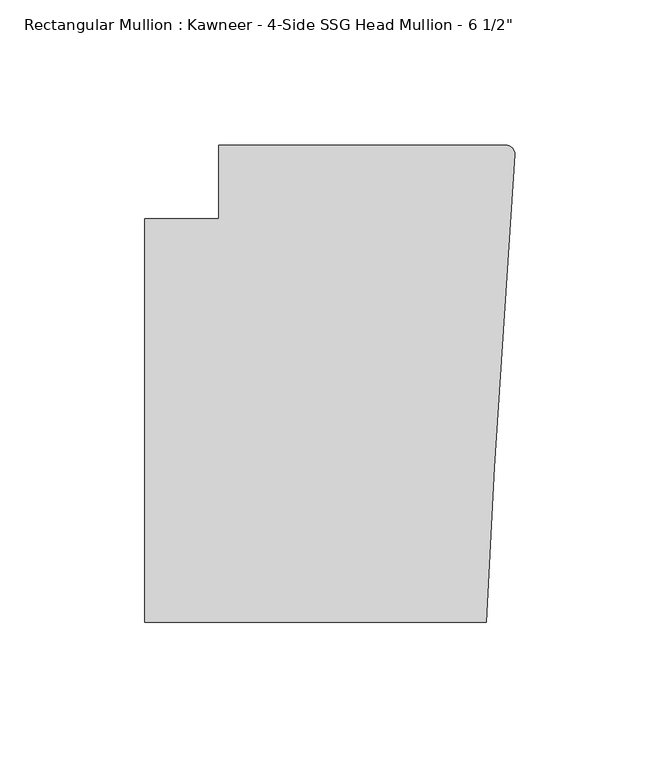
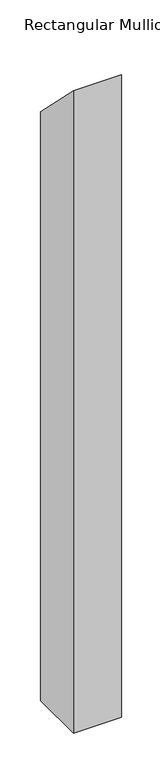
"""IFC4 building model written with IfcOpenShell, lengths in millimetres: member geometry."""

from ifc_helpers import new_model, si_unit, frame, origin, place, context, project, spatial, circle_curve, ellipse_curve, source, transform, mapped, element, save
from ifc_brep_helpers import plane_surface, cylinder_surface, advanced_brep


def member_12f28e6b(model_context):
    return source(origin(), model_context, "Body", "AdvancedBrep", [
        advanced_brep(
        [(-102.08978, 12.7, -1516.358135), (-3.175, 12.7, -1516.358135), (-0.006635, 9.3198462, -1516.358135), (-6.9873394, -98.4891117, -1516.358135), (-9.7860662, -151.892, -1516.358135), (-127.4896668, -151.892, -1516.358135), (-127.4896668, -12.7, -1516.358135), (-102.08978, -12.7, -1516.358135), (-102.08978, -12.7, 12.7), (-102.08978, 12.7, -12.7), (-127.4896668, -12.7, 12.7), (-127.4896668, -151.892, 151.892), (-9.7860662, -151.892, 151.892), (-6.9873394, -98.4891117, 98.4891117), (-0.006635, 9.3198462, -9.3198462), (-3.175, 12.7, -12.7)],
        [
            (0, 1),
            (1, 2, circle_curve(frame((-3.175, 9.525, -1516.358135), z_axis=(0.0, 0.0, -1.0), x_axis=(0.0, 1.0, 0.0)), 3.175)),
            (2, 3),
            (3, 4),
            (4, 5),
            (5, 6),
            (6, 7),
            (7, 0),
            (8, 9),
            (9, 0),
            (7, 8),
            (10, 8),
            (6, 10),
            (11, 10),
            (5, 11),
            (12, 11),
            (4, 12),
            (13, 12),
            (3, 13),
            (14, 13),
            (2, 14),
            (15, 14, ellipse_curve(frame((-3.175, 9.525, -9.525), z_axis=(0.0, -0.7071067811865481, -0.7071067811865469), x_axis=(0.0, -0.7071067811865469, 0.707106781186548)), 4.4901281, 3.175)),
            (1, 15),
            (9, 15),
        ],
        [
            plane_surface(frame((0.0, -198.3048028, -1516.358135), z_axis=(0.0, 0.0, -1.0), x_axis=(-1.0, 0.0, 0.0))),
            plane_surface(frame((-102.08978, 12.7, 0.0), z_axis=(-1.0, 0.0, 0.0), x_axis=(0.0, 0.0, -1.0))),
            plane_surface(frame((-102.08978, -12.7, 0.0), z_axis=(0.0, 1.0, 0.0), x_axis=(0.0, 0.0, -1.0))),
            plane_surface(frame((-127.4896668, -12.7, 0.0), z_axis=(-1.0, 0.0, 0.0), x_axis=(0.0, 0.0, -1.0))),
            plane_surface(frame((-127.4896668, -151.892, 0.0), z_axis=(0.0, -1.0, 0.0), x_axis=(0.0, 0.0, -1.0))),
            plane_surface(frame((-9.7860662, -151.892, 0.0), z_axis=(0.9986295347545738, -0.05233595624294541, 0.0), x_axis=(0.0, 0.0, -1.0))),
            plane_surface(frame((-6.9873394, -98.4891117, 0.0), z_axis=(0.9979102429769694, -0.06461537712995265, 0.0), x_axis=(0.0, 0.0, -1.0))),
            cylinder_surface(frame((-3.175, 9.525, 0.0), z_axis=(0.0, 0.0, 1.0), x_axis=(0.0, 1.0, 0.0)), 3.175),
            plane_surface(frame((-3.175, 12.7, 0.0), z_axis=(0.0, 1.0, 0.0), x_axis=(0.0, 0.0, -1.0))),
            plane_surface(frame((-304.8, 0.0, 0.0), z_axis=(0.0, 0.7071067811865481, 0.7071067811865469), x_axis=(0.0, 0.7071067811865469, -0.7071067811865481))),
        ],
        [
            (0, [[1, 2, 3, 4, 5, 6, 7, 8]]),
            (1, [[9, 10, -8, 11]]),
            (2, [[12, -11, -7, 13]]),
            (3, [[14, -13, -6, 15]]),
            (4, [[16, -15, -5, 17]]),
            (5, [[18, -17, -4, 19]]),
            (6, [[20, -19, -3, 21]]),
            (7, [[22, -21, -2, 23]]),
            (8, [[24, -23, -1, -10]]),
            (9, [[-9, -12, -14, -16, -18, -20, -22, -24]]),
        ],
    ),
    ])


if __name__ == "__main__":
    model = new_model("IFC4")
    model_context = context("Model", 3, world=origin())
    ifc_project = project(units=[si_unit("LENGTHUNIT", "METRE", prefix="MILLI")], contexts=[model_context])
    site = spatial("IfcSite", under=ifc_project)
    building = spatial("IfcBuilding", under=site)
    placement = place(None, origin())
    member_shape = member_12f28e6b(model_context)
    element("IfcMember", 1, ObjectType="Rectangular Mullion : Kawneer - 4-Side SSG Head Mullion - 6 1/2\"", at=placement, inside=building, context=model_context, shape_type="MappedRepresentation", body=[
        mapped(member_shape, transform((0.0, 0.0, 0.0), x_axis=(1.0, 0.0, 0.0), y_axis=(0.0, 1.0, 0.0), z_axis=(0.0, 0.0, 1.0))),
    ])
    save(model, "model.ifc")
